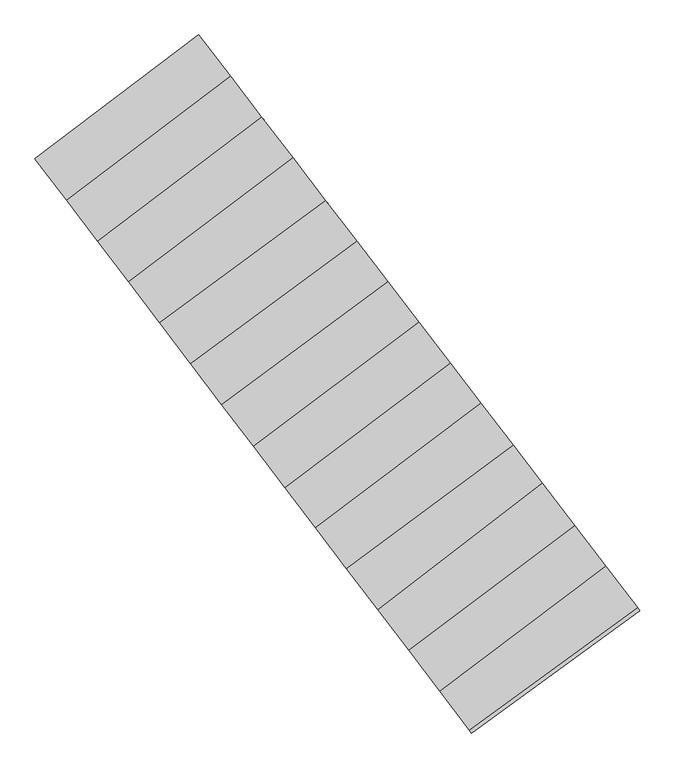
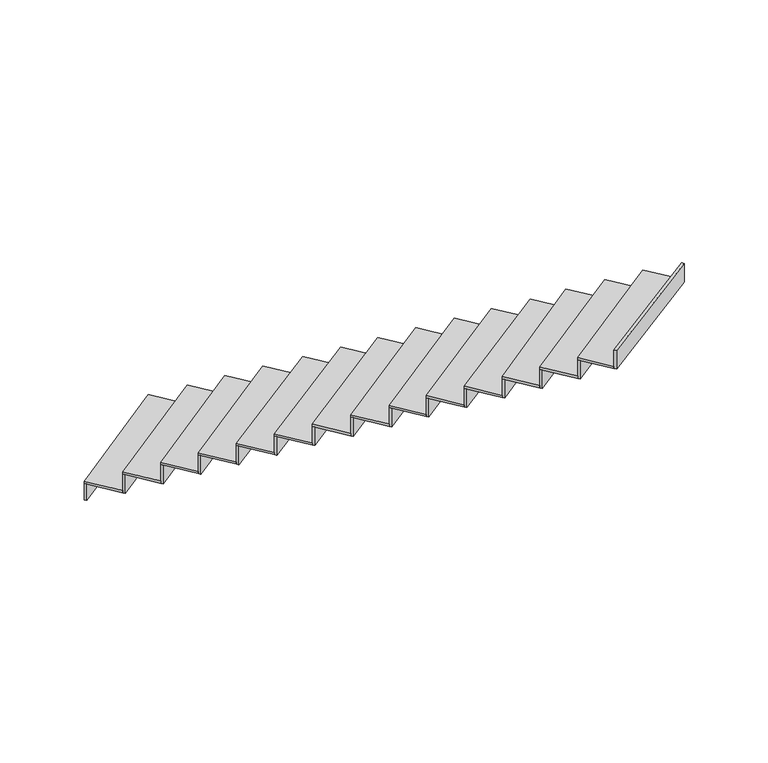
"""IFC4 building model written with IfcOpenShell, lengths in millimetres: stair flight geometry."""

from ifc_helpers import new_model, si_unit, frame, origin, place, context, project, spatial, polyline, outline, extrude, source, transform, mapped, element, save


def stair_flight_a9dbe784(model_context):
    return source(origin(), model_context, "Body", "SweptSolid", [
        extrude(outline(polyline([(-107445.7055451, 26176.2900622), (-107457.8170185, 26192.2060817), (-106499.2044186, 26915.1551594), (-106487.0350128, 26899.2828303), (-107445.7055451, 26176.2900622)])), frame((0.0, 0.0, -2479.5), z_axis=(0.0, 0.0, 1.0), x_axis=(1.0, 0.0, 0.0)), (0.0, 0.0, 1.0), 146.3864079),
        extrude(outline(polyline([(-106313.4868379, 26672.9271807), (-107272.9835446, 25949.3113434), (-107457.8170185, 26192.2060817), (-106499.2044186, 26915.1551594), (-106313.4868379, 26672.9271807)])), frame((0.0, 0.0, -2333.1135921), z_axis=(0.0, 0.0, 1.0), x_axis=(1.0, 0.0, 0.0)), (0.0, 0.0, 1.0), 20.0),
        extrude(outline(polyline([(-107260.8720712, 25933.3953239), (-107272.9835446, 25949.3113434), (-106313.4868379, 26672.9271807), (-106301.3174321, 26657.0548516), (-107260.8720712, 25933.3953239)])), frame((0.0, 0.0, -2333.1135921), z_axis=(0.0, 0.0, 1.0), x_axis=(1.0, 0.0, 0.0)), (0.0, 0.0, 1.0), 166.3864079),
        extrude(outline(polyline([(-106131.1015165, 26435.0454059), (-107091.466467, 25710.7747723), (-107272.9835446, 25949.3113434), (-106313.4868379, 26672.9271807), (-106131.1015165, 26435.0454059)])), frame((0.0, 0.0, -2166.7271841), z_axis=(0.0, 0.0, 1.0), x_axis=(1.0, 0.0, 0.0)), (0.0, 0.0, 1.0), 20.0),
        extrude(outline(polyline([(-107079.3549935, 25694.8587528), (-107091.466467, 25710.7747723), (-106131.1015165, 26435.0454059), (-106118.9321107, 26419.1730768), (-107079.3549935, 25694.8587528)])), frame((0.0, 0.0, -2166.7271841), z_axis=(0.0, 0.0, 1.0), x_axis=(1.0, 0.0, 0.0)), (0.0, 0.0, 1.0), 166.3864079),
        extrude(outline(polyline([(-105949.3844074, 26198.0351678), (-106910.6144205, 25473.1121369), (-107091.466467, 25710.7747723), (-106131.1015165, 26435.0454059), (-105949.3844074, 26198.0351678)])), frame((0.0, 0.0, -2000.3407762), z_axis=(0.0, 0.0, 1.0), x_axis=(1.0, 0.0, 0.0)), (0.0, 0.0, 1.0), 20.0),
        extrude(outline(polyline([(-106898.5029471, 25457.1961174), (-106910.6144205, 25473.1121369), (-105949.3844074, 26198.0351678), (-105937.2150016, 26182.1628387), (-106898.5029471, 25457.1961174)])), frame((0.0, 0.0, -2000.3407762), z_axis=(0.0, 0.0, 1.0), x_axis=(1.0, 0.0, 0.0)), (0.0, 0.0, 1.0), 166.3864079),
        extrude(outline(polyline([(-105757.1154676, 25947.2623737), (-106728.6707607, 25234.0149825), (-106910.6144205, 25473.1121369), (-105949.3844074, 26198.0351678), (-105757.1154676, 25947.2623737)])), frame((0.0, 0.0, -1833.9543683), z_axis=(0.0, 0.0, 1.0), x_axis=(1.0, 0.0, 0.0)), (0.0, 0.0, 1.0), 20.0),
        extrude(outline(polyline([(-106716.5576058, 25218.0967534), (-106728.6707607, 25234.0149825), (-105757.1154676, 25947.2623737), (-105744.9438029, 25931.3870983), (-106716.5576058, 25218.0967534)])), frame((0.0, 0.0, -1833.9543683), z_axis=(0.0, 0.0, 1.0), x_axis=(1.0, 0.0, 0.0)), (0.0, 0.0, 1.0), 166.3864079),
        extrude(outline(polyline([(-105574.5404974, 25709.1332434), (-106546.9734374, 24995.2415457), (-106728.6707607, 25234.0149825), (-105757.1154676, 25947.2623737), (-105574.5404974, 25709.1332434)])), frame((0.0, 0.0, -1667.5679604), z_axis=(0.0, 0.0, 1.0), x_axis=(1.0, 0.0, 0.0)), (0.0, 0.0, 1.0), 20.0),
        extrude(outline(polyline([(-106534.8602825, 24979.3233166), (-106546.9734374, 24995.2415457), (-105574.5404974, 25709.1332434), (-105562.3688327, 25693.257968), (-106534.8602825, 24979.3233166)])), frame((0.0, 0.0, -1667.5679604), z_axis=(0.0, 0.0, 1.0), x_axis=(1.0, 0.0, 0.0)), (0.0, 0.0, 1.0), 166.3864079),
        extrude(outline(polyline([(-105394.2252718, 25473.9514559), (-106364.7111074, 24755.725618), (-106546.9734374, 24995.2415457), (-105574.5404974, 25709.1332434), (-105394.2252718, 25473.9514559)])), frame((0.0, 0.0, -1501.1815524), z_axis=(0.0, 0.0, 1.0), x_axis=(1.0, 0.0, 0.0)), (0.0, 0.0, 1.0), 20.0),
        extrude(outline(polyline([(-106352.5986652, 24739.8083255), (-106364.7111074, 24755.725618), (-105394.2252718, 25473.9514559), (-105382.0544932, 25458.0773362), (-106352.5986652, 24739.8083255)])), frame((0.0, 0.0, -1501.1815524), z_axis=(0.0, 0.0, 1.0), x_axis=(1.0, 0.0, 0.0)), (0.0, 0.0, 1.0), 166.3864079),
        extrude(outline(polyline([(-105212.4184086, 25236.8241533), (-106179.3397484, 24512.12403), (-106364.7111074, 24755.725618), (-105394.2252718, 25473.9514559), (-105212.4184086, 25236.8241533)])), frame((0.0, 0.0, -1334.7951445), z_axis=(0.0, 0.0, 1.0), x_axis=(1.0, 0.0, 0.0)), (0.0, 0.0, 1.0), 20.0),
        extrude(outline(polyline([(-106167.2280649, 24496.2077346), (-106179.3397484, 24512.12403), (-105212.4184086, 25236.8241533), (-105200.2486601, 25220.9513771), (-106167.2280649, 24496.2077346)])), frame((0.0, 0.0, -1334.7951445), z_axis=(0.0, 0.0, 1.0), x_axis=(1.0, 0.0, 0.0)), (0.0, 0.0, 1.0), 166.3864079),
        extrude(outline(polyline([(-105027.4922966, 24995.6284725), (-105995.2959675, 24270.2670489), (-106179.3397484, 24512.12403), (-105212.4184086, 25236.8241533), (-105027.4922966, 24995.6284725)])), frame((0.0, 0.0, -1168.4087366), z_axis=(0.0, 0.0, 1.0), x_axis=(1.0, 0.0, 0.0)), (0.0, 0.0, 1.0), 20.0),
        extrude(outline(polyline([(-105983.184284, 24254.3507535), (-105995.2959675, 24270.2670489), (-105027.4922966, 24995.6284725), (-105015.3225481, 24979.7556964), (-105983.184284, 24254.3507535)])), frame((0.0, 0.0, -1168.4087366), z_axis=(0.0, 0.0, 1.0), x_axis=(1.0, 0.0, 0.0)), (0.0, 0.0, 1.0), 166.3864079),
        extrude(outline(polyline([(-104848.8552556, 24762.6355099), (-105816.7794785, 24035.6736338), (-105995.2959675, 24270.2670489), (-105027.4922966, 24995.6284725), (-104848.8552556, 24762.6355099)])), frame((0.0, 0.0, -1002.0223286), z_axis=(0.0, 0.0, 1.0), x_axis=(1.0, 0.0, 0.0)), (0.0, 0.0, 1.0), 20.0),
        extrude(outline(polyline([(-105804.6678774, 24019.7574464), (-105816.7794785, 24035.6736338), (-104848.8552556, 24762.6355099), (-104836.6856338, 24746.762899), (-105804.6678774, 24019.7574464)])), frame((0.0, 0.0, -1002.0223286), z_axis=(0.0, 0.0, 1.0), x_axis=(1.0, 0.0, 0.0)), (0.0, 0.0, 1.0), 166.3864079),
        extrude(outline(polyline([(-104659.8910839, 24516.1730631), (-105634.1706401, 23795.7023499), (-105816.7794785, 24035.6736338), (-104848.8552556, 24762.6355099), (-104659.8910839, 24516.1730631)])), frame((0.0, 0.0, -835.6359207), z_axis=(0.0, 0.0, 1.0), x_axis=(1.0, 0.0, 0.0)), (0.0, 0.0, 1.0), 20.0),
        extrude(outline(polyline([(-105622.0581367, 23779.7849769), (-105634.1706401, 23795.7023499), (-104659.8910839, 24516.1730631), (-104647.7202272, 24500.2988417), (-105622.0581367, 23779.7849769)])), frame((0.0, 0.0, -835.6359207), z_axis=(0.0, 0.0, 1.0), x_axis=(1.0, 0.0, 0.0)), (0.0, 0.0, 1.0), 166.3864079),
        extrude(outline(polyline([(-104490.092817, 24294.7083487), (-105452.433326, 23556.8763601), (-105634.1706401, 23795.7023499), (-104659.8910839, 24516.1730631), (-104490.092817, 24294.7083487)])), frame((0.0, 0.0, -669.2495128), z_axis=(0.0, 0.0, 1.0), x_axis=(1.0, 0.0, 0.0)), (0.0, 0.0, 1.0), 20.0),
        extrude(outline(polyline([(-105440.3218859, 23540.9603843), (-105452.433326, 23556.8763601), (-104490.092817, 24294.7083487), (-104477.9237955, 24278.8365209), (-105440.3218859, 23540.9603843)])), frame((0.0, 0.0, -669.2495128), z_axis=(0.0, 0.0, 1.0), x_axis=(1.0, 0.0, 0.0)), (0.0, 0.0, 1.0), 166.3864079),
        extrude(outline(polyline([(-104301.2312813, 24048.3797683), (-105271.7663883, 23319.4569812), (-105452.433326, 23556.8763601), (-104490.092817, 24294.7083487), (-104301.2312813, 24048.3797683)])), frame((0.0, 0.0, -502.8631049), z_axis=(0.0, 0.0, 1.0), x_axis=(1.0, 0.0, 0.0)), (0.0, 0.0, 1.0), 20.0),
        extrude(outline(polyline([(-105259.6547871, 23303.5407939), (-105271.7663883, 23319.4569812), (-104301.2312813, 24048.3797683), (-104289.0616595, 24032.5071574), (-105259.6547871, 23303.5407939)])), frame((0.0, 0.0, -502.8631049), z_axis=(0.0, 0.0, 1.0), x_axis=(1.0, 0.0, 0.0)), (0.0, 0.0, 1.0), 166.3864079),
        extrude(outline(polyline([(-104118.6869547, 23810.2906059), (-105090.0923708, 23080.7141711), (-105271.7663883, 23319.4569812), (-104301.2312813, 24048.3797683), (-104118.6869547, 23810.2906059)])), frame((0.0, 0.0, -336.4766969), z_axis=(0.0, 0.0, 1.0), x_axis=(1.0, 0.0, 0.0)), (0.0, 0.0, 1.0), 20.0),
        extrude(outline(polyline([(-105077.9807696, 23064.7979838), (-105090.0923708, 23080.7141711), (-104118.6869547, 23810.2906059), (-104106.517333, 23794.4179951), (-105077.9807696, 23064.7979838)])), frame((0.0, 0.0, -336.4766969), z_axis=(0.0, 0.0, 1.0), x_axis=(1.0, 0.0, 0.0)), (0.0, 0.0, 1.0), 166.3864079),
        extrude(outline(polyline([(-104903.7772573, 22835.8723695), (-104915.8915923, 22851.7921495), (-103931.9177395, 23566.691), (-103919.7446703, 23550.8138929), (-104903.7772573, 22835.8723695)])), frame((0.0, 0.0, -170.090289), z_axis=(0.0, 0.0, 1.0), x_axis=(1.0, 0.0, 0.0)), (0.0, 0.0, 1.0), 166.3864079),
        extrude(outline(polyline([(-103931.9177395, 23566.691), (-104915.8915923, 22851.7921495), (-105090.0923708, 23080.7141711), (-104118.6869547, 23810.2906059), (-103931.9177395, 23566.691)])), frame((0.0, 0.0, -170.090289), z_axis=(0.0, 0.0, 1.0), x_axis=(1.0, 0.0, 0.0)), (0.0, 0.0, 1.0), 20.0),
    ])


if __name__ == "__main__":
    model = new_model("IFC4")
    model_context = context("Model", 3, world=origin())
    ifc_project = project(units=[si_unit("LENGTHUNIT", "METRE", prefix="MILLI")], contexts=[model_context])
    site = spatial("IfcSite", under=ifc_project)
    building = spatial("IfcBuilding", under=site)
    placement = place(None, origin())
    stair_flight_shape = stair_flight_a9dbe784(model_context)
    element("IfcStairFlight", 1, at=placement, inside=building, context=model_context, shape_type="MappedRepresentation", body=[
        mapped(stair_flight_shape, transform((0.0, 0.0, 0.0), x_axis=(1.0, 0.0, 0.0), y_axis=(0.0, 1.0, 0.0), z_axis=(0.0, 0.0, 1.0))),
    ])
    save(model, "model.ifc")
